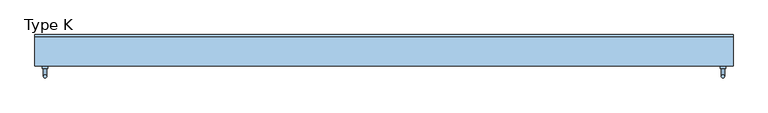
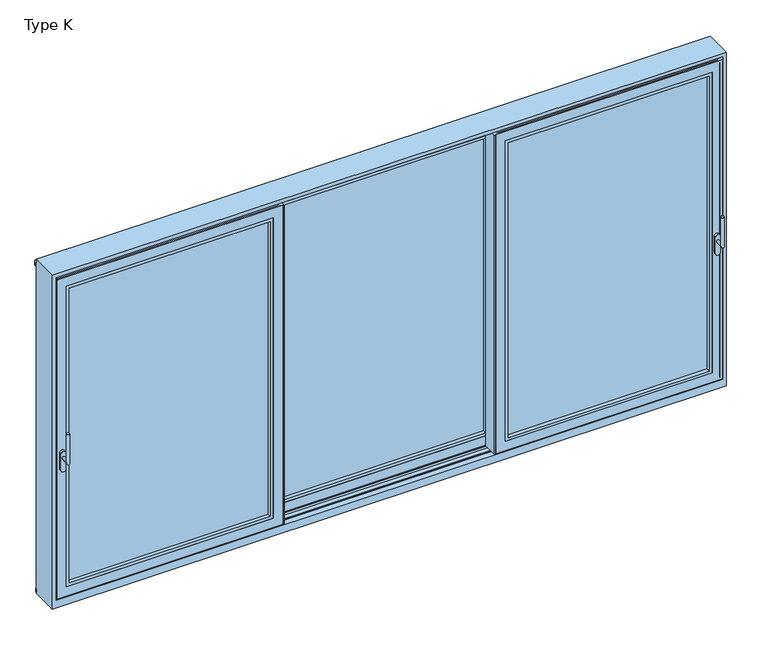
"""IFC4 building model written with IfcOpenShell, lengths in millimetres: window geometry, Type K."""

from ifc_helpers import new_model, si_unit, point, frame, frame_2d, origin, place, context, project, spatial, polyline, circle_curve, ellipse_curve, trimmed, segment, composite_curve, outline, extrude, faceted_brep, source, transform, mapped, element, save
from ifc_brep_helpers import plane_surface, cylinder_surface, advanced_brep


def type_k_f9d749f6(model_context):
    return source(origin(), model_context, "Body", "SolidModel", [
        advanced_brep(
        [(2185.0, -111.0, 995.0), (2165.0, -111.0, 995.0), (2165.0, -163.0, 995.0), (2185.0, -163.0, 995.0), (2185.0, -163.0, 1195.0), (2165.0, -163.0, 1195.0)],
        [
            (0, 1, circle_curve(frame((2175.0, -111.0, 995.0), z_axis=(0.0, 1.0, 0.0), x_axis=(-1.0000000000000009, 0.0, 0.0)), 10.0)),
            (1, 0, circle_curve(frame((2175.0, -111.0, 995.0), z_axis=(0.0, 1.0, 0.0), x_axis=(-1.0000000000000009, 0.0, 0.0)), 10.0)),
            (1, 2),
            (2, 3, ellipse_curve(frame((2175.0, -163.0, 995.0), z_axis=(0.0, 0.7071067811865475, -0.7071067811865475), x_axis=(0.0, 0.7071067811865476, 0.7071067811865474)), 14.1421356, 10.0)),
            (3, 0),
            (3, 2, ellipse_curve(frame((2175.0, -163.0, 995.0), z_axis=(0.0, 0.7071067811865475, -0.7071067811865475), x_axis=(0.0, 0.7071067811865476, 0.7071067811865474)), 14.1421356, 10.0)),
            (4, 5, circle_curve(frame((2175.0, -163.0, 1195.0), z_axis=(0.0, 0.0, 1.0), x_axis=(-1.0000000000000009, 0.0, 0.0)), 10.0)),
            (5, 4, circle_curve(frame((2175.0, -163.0, 1195.0), z_axis=(0.0, 0.0, 1.0), x_axis=(-1.0000000000000009, 0.0, 0.0)), 10.0)),
            (2, 5),
            (4, 3),
        ],
        [
            plane_surface(frame((2175.0, -111.0, 995.0), z_axis=(0.0, 1.0, 0.0), x_axis=(-1.0, 0.0, 0.0))),
            cylinder_surface(frame((2175.0, -111.0, 995.0), z_axis=(0.0, 1.0000000000000009, 0.0), x_axis=(-1.0000000000000009, 0.0, 0.0)), 10.0),
            plane_surface(frame((2175.0, -163.0, 1195.0), z_axis=(0.0, 0.0, 1.0), x_axis=(-1.0, 0.0, 0.0))),
            cylinder_surface(frame((2175.0, -163.0, 995.0), z_axis=(0.0, 0.0, -1.0), x_axis=(-1.0000000000000009, 0.0, 0.0)), 10.0),
        ],
        [
            (0, [[1, 2]]),
            (1, [[3, 4, 5, -2]]),
            (1, [[-5, 6, -3, -1]]),
            (2, [[7, 8]]),
            (3, [[9, -7, 10, -4]]),
            (3, [[-10, -8, -9, -6]]),
        ],
    ),
        extrude(outline(composite_curve([segment(polyline([(913.2823932, 2191.75), (1025.0099288, 2191.75)]), True, "CONTINUOUS"), segment(trimmed(circle_curve(frame_2d((1025.0099288, 2175.0)), 16.75), [point((1025.0099288, 2191.75))], [point((1025.0099288, 2158.25))], False, "CARTESIAN"), True, "CONTINUOUS"), segment(polyline([(1025.0099288, 2158.25), (913.2823932, 2158.25)]), True, "CONTINUOUS"), segment(trimmed(circle_curve(frame_2d((913.2823932, 2175.0)), 16.75), [point((913.2823932, 2158.25))], [point((913.2823932, 2191.75))], False, "CARTESIAN"), True, "CONTINUOUS")], self_intersect=False)), frame((0.0, -111.0, 0.0), z_axis=(0.0, 1.0, 0.0), x_axis=(0.0, 0.0, 1.0)), (0.0, 0.0, 1.0), 16.0),
        extrude(outline(polyline([(2196.5, -18.0), (2215.0, -18.0), (2215.0, -25.0), (2196.5, -25.0), (2196.5, -18.0)])), frame((0.0, 0.0, 18.5), z_axis=(0.0, 0.0, 1.0), x_axis=(1.0, 0.0, 0.0)), (0.0, 0.0, 1.0), 2211.5),
        extrude(outline(polyline([(2196.5, -85.0), (2215.0, -85.0), (2215.0, -92.0), (2196.5, -92.0), (2196.5, -85.0)])), frame((0.0, 0.0, 18.5), z_axis=(0.0, 0.0, 1.0), x_axis=(1.0, 0.0, 0.0)), (0.0, 0.0, 1.0), 2211.5),
        extrude(outline(polyline([(699.1666667, 4.0), (746.6666667, 4.0), (746.6666667, 1.0013087), (740.6666667, 1.0013087), (740.6666667, -9.0), (755.1666667, -9.0), (755.1666667, -15.0), (707.1666667, -15.0), (707.1666667, -18.0), (722.1666667, -18.0), (722.1666667, -92.0), (705.1666667, -92.0), (705.1666667, -95.0), (699.1666667, -95.0), (699.1666667, 4.0)])), frame((0.0, 0.0, 3.5), z_axis=(0.0, 0.0, 1.0), x_axis=(1.0, 0.0, 0.0)), (0.0, 0.0, 1.0), 2241.5),
        faceted_brep([(2211.5, -18.0, 2245.0), (2211.5, -18.0, 3.5), (2211.5, -15.0, 3.5), (2211.5, -15.0, 2245.0), (707.1666667, -18.0, 3.5), (707.1666667, -15.0, 3.5), (707.1666667, -15.0, 2245.0), (792.1666667, -15.0, 88.5), (2126.5, -15.0, 88.5), (2126.5, -15.0, 2160.0), (792.1666667, -15.0, 2160.0), (707.1666667, -18.0, 2245.0), (2196.5, -18.0, 18.5), (722.1666667, -18.0, 18.5), (722.1666667, -18.0, 2230.0), (2196.5, -18.0, 2230.0), (2211.5, -92.0, 3.5), (707.1666667, -92.0, 3.5), (707.1666667, -92.0, 2245.0), (2211.5, -92.0, 2245.0), (722.1666667, -92.0, 18.5), (2196.5, -92.0, 18.5), (2196.5, -92.0, 2230.0), (722.1666667, -92.0, 2230.0), (2211.5, -95.0, 2245.0), (2211.5, -95.0, 3.5), (707.1666667, -95.0, 3.5), (707.1666667, -95.0, 2245.0), (2146.5, -95.0, 68.5), (772.1666667, -95.0, 68.5), (772.1666667, -95.0, 2180.0), (2146.5, -95.0, 2180.0), (2146.5, -23.0, 2180.0), (2146.5, -23.0, 68.5), (772.1666667, -23.0, 68.5), (772.1666667, -23.0, 2180.0), (2126.5, -23.0, 88.5), (792.1666667, -23.0, 88.5), (792.1666667, -23.0, 2160.0), (2126.5, -23.0, 2160.0)], [[[0, 1, 2, 3]], [[1, 4, 5, 2]], [[2, 5, 6, 3], [7, 8, 9, 10]], [[4, 11, 6, 5]], [[4, 1, 0, 11], [12, 13, 14, 15]], [[16, 17, 18, 19], [20, 21, 22, 23]], [[24, 25, 16, 19]], [[25, 26, 17, 16]], [[26, 27, 18, 17]], [[26, 25, 24, 27], [28, 29, 30, 31]], [[32, 33, 28, 31]], [[33, 34, 29, 28]], [[34, 35, 30, 29]], [[34, 33, 32, 35], [36, 37, 38, 39]], [[9, 8, 36, 39]], [[8, 7, 37, 36]], [[7, 10, 38, 37]], [[11, 0, 3, 6]], [[27, 24, 19, 18]], [[35, 32, 31, 30]], [[10, 9, 39, 38]], [[22, 21, 12, 15]], [[20, 23, 14, 13]], [[21, 20, 13, 12]], [[23, 22, 15, 14]]]),
        extrude(outline(polyline([(2180.0, 2146.5), (2180.0, 772.1666667), (68.5, 772.1666667), (68.5, 2146.5), (2180.0, 2146.5)]), holes=[polyline([(2160.0, 792.1666667), (2160.0, 2126.5), (88.5, 2126.5), (88.5, 792.1666667), (2160.0, 792.1666667)])]), frame((0.0, -94.5, 0.0), z_axis=(0.0, 1.0, 0.0), x_axis=(0.0, 0.0, 1.0)), (0.0, 0.0, 1.0), 25.5),
        extrude(outline(polyline([(2146.5, -23.0), (2146.5, -69.0), (772.1666667, -69.0), (772.1666667, -23.0), (2146.5, -23.0)])), frame((0.0, 0.0, 68.5), z_axis=(0.0, 0.0, 1.0), x_axis=(1.0, 0.0, 0.0)), (0.0, 0.0, 1.0), 2111.5),
        extrude(outline(polyline([(722.1666667, -46.0), (2196.5, -46.0), (2196.5, -64.0), (722.1666667, -64.0), (722.1666667, -46.0)])), frame((0.0, 0.0, 2230.0), z_axis=(0.0, 0.0, 1.0), x_axis=(1.0, 0.0, 0.0)), (0.0, 0.0, 1.0), 20.0),
        advanced_brep(
        [(-2185.0, -111.0, 995.0), (-2165.0, -111.0, 995.0), (-2185.0, -163.0, 995.0), (-2165.0, -163.0, 995.0), (-2185.0, -163.0, 1195.0), (-2165.0, -163.0, 1195.0)],
        [
            (0, 1, circle_curve(frame((-2175.0, -111.0, 995.0), z_axis=(0.0, 1.0, 0.0), x_axis=(1.0000000000000009, 0.0, 0.0)), 10.0)),
            (1, 0, circle_curve(frame((-2175.0, -111.0, 995.0), z_axis=(0.0, 1.0, 0.0), x_axis=(1.0000000000000009, 0.0, 0.0)), 10.0)),
            (0, 2),
            (2, 3, ellipse_curve(frame((-2175.0, -163.0, 995.0), z_axis=(0.0, 0.7071067811865475, -0.7071067811865475), x_axis=(0.0, 0.7071067811865476, 0.7071067811865474)), 14.1421356, 10.0)),
            (3, 1),
            (3, 2, ellipse_curve(frame((-2175.0, -163.0, 995.0), z_axis=(0.0, 0.7071067811865475, -0.7071067811865475), x_axis=(0.0, 0.7071067811865476, 0.7071067811865474)), 14.1421356, 10.0)),
            (4, 5, circle_curve(frame((-2175.0, -163.0, 1195.0), z_axis=(0.0, 0.0, 1.0), x_axis=(1.0000000000000009, 0.0, 0.0)), 10.0)),
            (5, 4, circle_curve(frame((-2175.0, -163.0, 1195.0), z_axis=(0.0, 0.0, 1.0), x_axis=(1.0000000000000009, 0.0, 0.0)), 10.0)),
            (2, 4),
            (5, 3),
        ],
        [
            plane_surface(frame((-2175.0, -111.0, 995.0), z_axis=(0.0, 1.0, 0.0), x_axis=(1.0, 0.0, 0.0))),
            cylinder_surface(frame((-2175.0, -111.0, 995.0), z_axis=(0.0, 1.0000000000000009, 0.0), x_axis=(1.0000000000000009, 0.0, 0.0)), 10.0),
            plane_surface(frame((-2175.0, -163.0, 1195.0), z_axis=(0.0, 0.0, 1.0), x_axis=(1.0, 0.0, 0.0))),
            cylinder_surface(frame((-2175.0, -163.0, 995.0), z_axis=(0.0, 0.0, -1.0), x_axis=(1.0000000000000009, 0.0, 0.0)), 10.0),
        ],
        [
            (0, [[1, 2]]),
            (1, [[-1, 3, 4, 5]]),
            (1, [[-2, -5, 6, -3]]),
            (2, [[7, 8]]),
            (3, [[-4, 9, -8, 10]]),
            (3, [[-6, -10, -7, -9]]),
        ],
    ),
        extrude(outline(composite_curve([segment(trimmed(circle_curve(frame_2d((913.2823932, -2175.0)), 16.75), [point((913.2823932, -2191.75))], [point((913.2823932, -2158.25))], False, "CARTESIAN"), True, "CONTINUOUS"), segment(polyline([(913.2823932, -2158.25), (1025.0099288, -2158.25)]), True, "CONTINUOUS"), segment(trimmed(circle_curve(frame_2d((1025.0099288, -2175.0)), 16.75), [point((1025.0099288, -2158.25))], [point((1025.0099288, -2191.75))], False, "CARTESIAN"), True, "CONTINUOUS"), segment(polyline([(1025.0099288, -2191.75), (913.2823932, -2191.75)]), True, "CONTINUOUS")], self_intersect=False)), frame((0.0, -111.0, 0.0), z_axis=(0.0, 1.0, 0.0), x_axis=(0.0, 0.0, 1.0)), (0.0, 0.0, 1.0), 16.0),
        extrude(outline(polyline([(-2196.5, -18.0), (-2196.5, -25.0), (-2215.0, -25.0), (-2215.0, -18.0), (-2196.5, -18.0)])), frame((0.0, 0.0, 18.5), z_axis=(0.0, 0.0, 1.0), x_axis=(1.0, 0.0, 0.0)), (0.0, 0.0, 1.0), 2211.5),
        extrude(outline(polyline([(-2196.5, -85.0), (-2196.5, -92.0), (-2215.0, -92.0), (-2215.0, -85.0), (-2196.5, -85.0)])), frame((0.0, 0.0, 18.5), z_axis=(0.0, 0.0, 1.0), x_axis=(1.0, 0.0, 0.0)), (0.0, 0.0, 1.0), 2211.5),
        extrude(outline(polyline([(-699.1666667, 4.0), (-699.1666667, -95.0), (-705.1666667, -95.0), (-705.1666667, -92.0), (-722.1666667, -92.0), (-722.1666667, -18.0), (-707.1666667, -18.0), (-707.1666667, -15.0), (-755.1666667, -15.0), (-755.1666667, -9.0), (-740.6666667, -9.0), (-740.6666667, 1.0013087), (-746.6666667, 1.0013087), (-746.6666667, 4.0), (-699.1666667, 4.0)])), frame((0.0, 0.0, 3.5), z_axis=(0.0, 0.0, 1.0), x_axis=(1.0, 0.0, 0.0)), (0.0, 0.0, 1.0), 2241.5),
        faceted_brep([(-2211.5, -18.0, 2245.0), (-2211.5, -15.0, 2245.0), (-2211.5, -15.0, 3.5), (-2211.5, -18.0, 3.5), (-707.1666667, -15.0, 3.5), (-707.1666667, -18.0, 3.5), (-707.1666667, -15.0, 2245.0), (-792.1666667, -15.0, 88.5), (-792.1666667, -15.0, 2160.0), (-2126.5, -15.0, 2160.0), (-2126.5, -15.0, 88.5), (-707.1666667, -18.0, 2245.0), (-2196.5, -18.0, 18.5), (-2196.5, -18.0, 2230.0), (-722.1666667, -18.0, 2230.0), (-722.1666667, -18.0, 18.5), (-2211.5, -92.0, 3.5), (-2211.5, -92.0, 2245.0), (-707.1666667, -92.0, 2245.0), (-707.1666667, -92.0, 3.5), (-722.1666667, -92.0, 18.5), (-722.1666667, -92.0, 2230.0), (-2196.5, -92.0, 2230.0), (-2196.5, -92.0, 18.5), (-2211.5, -95.0, 2245.0), (-2211.5, -95.0, 3.5), (-707.1666667, -95.0, 3.5), (-707.1666667, -95.0, 2245.0), (-2146.5, -95.0, 68.5), (-2146.5, -95.0, 2180.0), (-772.1666667, -95.0, 2180.0), (-772.1666667, -95.0, 68.5), (-2146.5, -23.0, 2180.0), (-2146.5, -23.0, 68.5), (-772.1666667, -23.0, 68.5), (-772.1666667, -23.0, 2180.0), (-2126.5, -23.0, 88.5), (-2126.5, -23.0, 2160.0), (-792.1666667, -23.0, 2160.0), (-792.1666667, -23.0, 88.5)], [[[0, 1, 2, 3]], [[3, 2, 4, 5]], [[2, 1, 6, 4], [7, 8, 9, 10]], [[5, 4, 6, 11]], [[5, 11, 0, 3], [12, 13, 14, 15]], [[16, 17, 18, 19], [20, 21, 22, 23]], [[24, 17, 16, 25]], [[25, 16, 19, 26]], [[26, 19, 18, 27]], [[26, 27, 24, 25], [28, 29, 30, 31]], [[32, 29, 28, 33]], [[33, 28, 31, 34]], [[34, 31, 30, 35]], [[34, 35, 32, 33], [36, 37, 38, 39]], [[9, 37, 36, 10]], [[10, 36, 39, 7]], [[7, 39, 38, 8]], [[11, 6, 1, 0]], [[27, 18, 17, 24]], [[35, 30, 29, 32]], [[8, 38, 37, 9]], [[22, 13, 12, 23]], [[20, 15, 14, 21]], [[23, 12, 15, 20]], [[21, 14, 13, 22]]]),
        extrude(outline(polyline([(2180.0, -2146.5), (68.5, -2146.5), (68.5, -772.1666667), (2180.0, -772.1666667), (2180.0, -2146.5)]), holes=[polyline([(2160.0, -792.1666667), (88.5, -792.1666667), (88.5, -2126.5), (2160.0, -2126.5), (2160.0, -792.1666667)])]), frame((0.0, -94.5, 0.0), z_axis=(0.0, 1.0, 0.0), x_axis=(0.0, 0.0, 1.0)), (0.0, 0.0, 1.0), 25.5),
        extrude(outline(polyline([(-2146.5, -23.0), (-772.1666667, -23.0), (-772.1666667, -69.0), (-2146.5, -69.0), (-2146.5, -23.0)])), frame((0.0, 0.0, 68.5), z_axis=(0.0, 0.0, 1.0), x_axis=(1.0, 0.0, 0.0)), (0.0, 0.0, 1.0), 2111.5),
        extrude(outline(polyline([(-722.1666667, -46.0), (-722.1666667, -64.0), (-2196.5, -64.0), (-2196.5, -46.0), (-722.1666667, -46.0)])), frame((0.0, 0.0, 2230.0), z_axis=(0.0, 0.0, 1.0), x_axis=(1.0, 0.0, 0.0)), (0.0, 0.0, 1.0), 20.0),
        extrude(outline(polyline([(90.0, -24.1943734), (97.0, -24.5), (97.0, -49.0), (90.0, -49.0), (90.0, -24.1943734)])), frame((-2240.0, 0.0, 0.0), z_axis=(1.0, 0.0, 0.0), x_axis=(0.0, 1.0, 0.0)), (0.0, 0.0, 1.0), 4480.0),
        extrude(outline(polyline([(105.0003684, 2275.1806742), (105.0003684, 2239.2221261), (103.0003684, 2239.2221261), (103.0003684, 2265.2221261), (90.0003684, 2265.2221261), (90.0003684, 2283.8409282), (105.0003684, 2275.1806742)])), frame((-2240.0, 0.0, 0.0), z_axis=(1.0, 0.0, 0.0), x_axis=(0.0, 1.0, 0.0)), (0.0, 0.0, 1.0), 4480.0),
        faceted_brep([(-2240.0, -95.0, -55.0), (-2240.0, -95.0, 2290.0), (-2240.0, 90.0, 2290.0), (-2240.0, 90.0, -55.0), (2240.0, -95.0, 2290.0), (2240.0, -95.0, -55.0), (2240.0, 90.0, -55.0), (2240.0, 90.0, 2290.0), (-2215.0, -15.0, 2265.0), (-2215.0, -95.0, 2265.0), (-2215.0, -95.0, 0.0), (-2215.0, -57.5, 0.0), (-2215.0, -57.5, 5.0), (-2215.0, -52.5, 5.0), (-2215.0, -52.5, 0.0), (-2215.0, -15.0, 0.0), (2215.0, -95.0, 2265.0), (2215.0, -15.0, 2265.0), (2215.0, -15.0, 0.0), (2215.0, -52.5, 0.0), (2215.0, -52.5, 5.0), (2215.0, -57.5, 5.0), (2215.0, -57.5, 0.0), (2215.0, -95.0, 0.0), (-2217.0, 10.0, 2267.0), (-2217.0, -15.0, 2267.0), (-2217.0, -15.0, 0.0), (-2217.0, -14.8, 0.0), (-2217.0, -14.8, -4.0), (-2217.0, 9.8, -4.0), (-2217.0, 9.8, 0.0), (-2217.0, 10.0, 0.0), (2217.0, -15.0, 2267.0), (2217.0, 10.0, 2267.0), (2217.0, 10.0, 0.0), (2217.0, 9.8, 0.0), (2217.0, 9.8, -4.0), (2217.0, -14.8, -4.0), (2217.0, -14.8, 0.0), (2217.0, -15.0, 0.0), (-2215.0, 90.0, 2265.0), (-2215.0, 10.0, 2265.0), (-2215.0, 10.0, 0.0), (-2215.0, 47.5, 0.0), (-2215.0, 47.5, 5.0), (-2215.0, 52.5, 5.0), (-2215.0, 52.5, 0.0), (-2215.0, 90.0, 0.0), (2215.0, 10.0, 2265.0), (2215.0, 90.0, 2265.0), (2215.0, 90.0, 0.0), (2215.0, 52.5, 0.0), (2215.0, 52.5, 5.0), (2215.0, 47.5, 5.0), (2215.0, 47.5, 0.0), (2215.0, 10.0, 0.0)], [[[0, 1, 2, 3]], [[4, 5, 6, 7]], [[8, 9, 10, 11, 12, 13, 14, 15]], [[16, 17, 18, 19, 20, 21, 22, 23]], [[24, 25, 26, 27, 28, 29, 30, 31]], [[32, 33, 34, 35, 36, 37, 38, 39]], [[40, 41, 42, 43, 44, 45, 46, 47]], [[48, 49, 50, 51, 52, 53, 54, 55]], [[4, 7, 2, 1]], [[16, 9, 8, 17]], [[32, 25, 24, 33]], [[48, 41, 40, 49]], [[6, 5, 0, 3]], [[0, 5, 4, 1], [16, 23, 10, 9]], [[6, 3, 2, 7], [40, 47, 50, 49]], [[10, 23, 22, 11]], [[17, 8, 15, 26, 25, 32, 39, 18]], [[14, 19, 18, 39, 38, 27, 26, 15]], [[13, 20, 19, 14]], [[12, 21, 20, 13]], [[11, 22, 21, 12]], [[33, 24, 31, 42, 41, 48, 55, 34]], [[50, 47, 46, 51]], [[45, 52, 51, 46]], [[44, 53, 52, 45]], [[43, 54, 53, 44]], [[54, 43, 42, 31, 30, 35, 34, 55]], [[29, 36, 35, 30]], [[28, 37, 36, 29]], [[27, 38, 37, 28]]]),
        extrude(outline(polyline([(-44.0, 2244.0917893), (-44.0, 2262.0), (-66.0, 2262.0), (-66.0, 2244.0917893), (-69.0, 2244.0917893), (-69.0, 2265.0), (-41.0, 2265.0), (-41.0, 2244.0917893), (-44.0, 2244.0917893)])), frame((-2215.0, 0.0, 0.0), z_axis=(1.0, 0.0, 0.0), x_axis=(0.0, 1.0, 0.0)), (0.0, 0.0, 1.0), 4430.0),
        extrude(outline(polyline([(61.0, 2244.0917893), (61.0, 2262.0), (39.0, 2262.0), (39.0, 2244.0917893), (36.0, 2244.0917893), (36.0, 2265.0), (64.0, 2265.0), (64.0, 2244.0917893), (61.0, 2244.0917893)])), frame((-2215.0, 0.0, 0.0), z_axis=(1.0, 0.0, 0.0), x_axis=(0.0, 1.0, 0.0)), (0.0, 0.0, 1.0), 4430.0),
        extrude(outline(polyline([(-721.1666667, 82.0), (721.1666667, 82.0), (721.1666667, 36.0), (-721.1666667, 36.0), (-721.1666667, 82.0)])), frame((0.0, 0.0, 70.0), z_axis=(0.0, 0.0, 1.0), x_axis=(1.0, 0.0, 0.0)), (0.0, 0.0, 1.0), 2109.5),
        extrude(outline(polyline([(2179.5, -721.1666667), (70.0, -721.1666667), (70.0, 721.1666667), (2179.5, 721.1666667), (2179.5, -721.1666667)]), holes=[polyline([(2159.5, 701.1666667), (90.0, 701.1666667), (90.0, -701.1666667), (2159.5, -701.1666667), (2159.5, 701.1666667)])]), frame((0.0, 10.5, 0.0), z_axis=(0.0, 1.0, 0.0), x_axis=(0.0, 0.0, 1.0)), (0.0, 0.0, 1.0), 25.5),
        extrude(outline(polyline([(794.1666667, 90.0), (794.1666667, -9.0), (746.6666667, -9.0), (746.6666667, -6.0013087), (752.6666667, -6.0013087), (752.6666667, 4.0), (738.1666667, 4.0), (738.1666667, 10.0), (786.1666667, 10.0), (786.1666667, 13.0), (771.1666667, 13.0), (771.1666667, 87.0), (788.1666667, 87.0), (788.1666667, 90.0), (794.1666667, 90.0)])), frame((0.0, 0.0, 5.0), z_axis=(0.0, 0.0, 1.0), x_axis=(1.0, 0.0, 0.0)), (0.0, 0.0, 1.0), 2239.5),
        extrude(outline(polyline([(-794.1666667, -9.0), (-794.1666667, 90.0), (-788.1666667, 90.0), (-788.1666667, 87.0), (-771.1666667, 87.0), (-771.1666667, 13.0), (-786.1666667, 13.0), (-786.1666667, 10.0), (-738.1666667, 10.0), (-738.1666667, 4.0), (-752.6666667, 4.0), (-752.6666667, -6.0013087), (-746.6666667, -6.0013087), (-746.6666667, -9.0), (-794.1666667, -9.0)])), frame((0.0, 0.0, 5.0), z_axis=(0.0, 0.0, 1.0), x_axis=(1.0, 0.0, 0.0)), (0.0, 0.0, 1.0), 2239.5),
        faceted_brep([(-786.1666667, 87.0, 2244.5), (-786.1666667, 90.0, 2244.5), (-786.1666667, 90.0, 5.0), (-786.1666667, 87.0, 5.0), (786.1666667, 90.0, 5.0), (786.1666667, 87.0, 5.0), (786.1666667, 90.0, 2244.5), (701.1666667, 90.0, 90.0), (701.1666667, 90.0, 2159.5), (-701.1666667, 90.0, 2159.5), (-701.1666667, 90.0, 90.0), (786.1666667, 87.0, 2244.5), (-771.1666667, 87.0, 20.0), (-771.1666667, 87.0, 2229.5), (771.1666667, 87.0, 2229.5), (771.1666667, 87.0, 20.0), (-771.1666667, 13.0, 2229.5), (-771.1666667, 13.0, 20.0), (771.1666667, 13.0, 20.0), (771.1666667, 13.0, 2229.5), (-786.1666667, 13.0, 5.0), (-786.1666667, 13.0, 2244.5), (786.1666667, 13.0, 2244.5), (786.1666667, 13.0, 5.0), (-786.1666667, 10.0, 2244.5), (-786.1666667, 10.0, 5.0), (786.1666667, 10.0, 5.0), (786.1666667, 10.0, 2244.5), (-721.1666667, 10.0, 70.0), (-721.1666667, 10.0, 2179.5), (721.1666667, 10.0, 2179.5), (721.1666667, 10.0, 70.0), (-721.1666667, 82.0, 2179.5), (-721.1666667, 82.0, 70.0), (721.1666667, 82.0, 70.0), (721.1666667, 82.0, 2179.5), (-701.1666667, 82.0, 90.0), (-701.1666667, 82.0, 2159.5), (701.1666667, 82.0, 2159.5), (701.1666667, 82.0, 90.0)], [[[0, 1, 2, 3]], [[3, 2, 4, 5]], [[2, 1, 6, 4], [7, 8, 9, 10]], [[5, 4, 6, 11]], [[5, 11, 0, 3], [12, 13, 14, 15]], [[16, 13, 12, 17]], [[17, 12, 15, 18]], [[18, 15, 14, 19]], [[20, 21, 22, 23], [18, 19, 16, 17]], [[24, 21, 20, 25]], [[25, 20, 23, 26]], [[26, 23, 22, 27]], [[26, 27, 24, 25], [28, 29, 30, 31]], [[32, 29, 28, 33]], [[33, 28, 31, 34]], [[34, 31, 30, 35]], [[34, 35, 32, 33], [36, 37, 38, 39]], [[9, 37, 36, 10]], [[10, 36, 39, 7]], [[7, 39, 38, 8]], [[11, 6, 1, 0]], [[19, 14, 13, 16]], [[27, 22, 21, 24]], [[35, 30, 29, 32]], [[8, 38, 37, 9]]]),
    ])


if __name__ == "__main__":
    model = new_model("IFC4")
    model_context = context("Model", 3, world=origin())
    ifc_project = project(units=[si_unit("LENGTHUNIT", "METRE", prefix="MILLI")], contexts=[model_context])
    site = spatial("IfcSite", under=ifc_project)
    building = spatial("IfcBuilding", under=site)
    placement = place(None, origin())
    type_k_shape = type_k_f9d749f6(model_context)
    element("IfcWindow", 1, ObjectType="Type K", at=placement, inside=building, context=model_context, shape_type="MappedRepresentation", body=[
        mapped(type_k_shape, transform((0.0, 0.0, 0.0), x_axis=(1.0, 0.0, 0.0), y_axis=(0.0, 1.0, 0.0), z_axis=(0.0, 0.0, 1.0))),
    ])
    save(model, "model.ifc")
